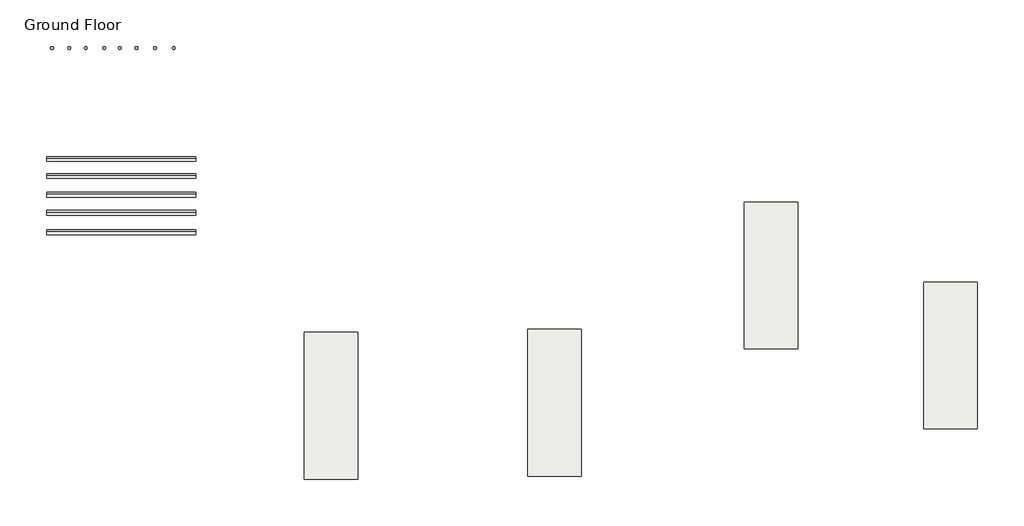
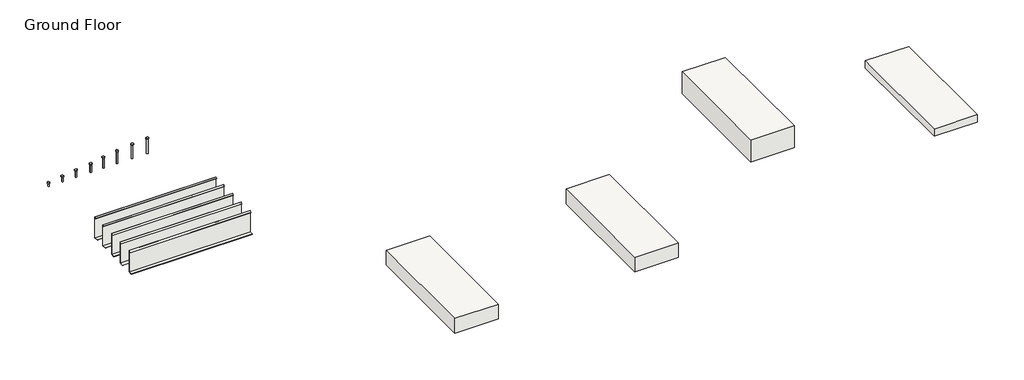
# One storey: 9 slabs, 8 fasteners.
"""IFC4 building model written with IfcOpenShell, lengths in millimetres."""

import ifcopenshell
import ifcopenshell.guid

model = None  # the IFC model being written
_history = None  # IfcOwnerHistory: only IFC2X3 demands one
_inside = {}  # id of a spatial element -> (the spatial element, [elements in it])
_under = {}  # id of a project, library or spatial element -> (it, [spatial elements below it])
_declared = {}  # id of a project -> (the project, [libraries it declares])
_typed = {}  # id of a type object -> (the type object, [elements of that type])
_made_of = {}  # id of a material, layer set ... -> (it, [elements and type objects made of it])


def new_model(schema):
    """Start an empty IFC model of exactly this schema.

    Asked for "IFC4X3", IfcOpenShell would pick the latest addendum, in which some entities
    have other attributes; the version numbers below select the first issue.
    IFC2X3 requires an IfcOwnerHistory on every rooted entity: one is made here for all.
    """
    global model, _history
    if schema == "IFC4X3":
        model = ifcopenshell.file(schema_version=(4, 3, 0, 0))
    else:
        model = ifcopenshell.file(schema=schema)
    _inside.clear()
    _under.clear()
    _declared.clear()
    _typed.clear()
    _made_of.clear()
    _history = None
    if model.schema == "IFC2X3":
        org = make("IfcOrganization", Name="unknown")
        user = make(
            "IfcPersonAndOrganization",
            ThePerson=make("IfcPerson", FamilyName="unknown"),
            TheOrganization=org,
        )
        app = make(
            "IfcApplication",
            ApplicationDeveloper=org,
            Version="unknown",
            ApplicationFullName="unknown",
            ApplicationIdentifier="unknown",
        )
        _history = make(
            "IfcOwnerHistory",
            OwningUser=user,
            OwningApplication=app,
            ChangeAction="ADDED",
            CreationDate=0,
        )
    return model


def make(cls, **values):
    """One entity of the class cls with the attributes given. An attribute that is None is left unset."""
    return model.create_entity(
        cls, **{name: value for name, value in values.items() if value is not None}
    )


def rooted(cls, **values):
    """An entity with a GlobalId (a new one), such as an element, a storey or a relation."""
    return make(cls, GlobalId=ifcopenshell.guid.new(), OwnerHistory=_history, **values)


def si_unit(unit_type, name, prefix=None):
    """IfcSIUnit, for example si_unit("LENGTHUNIT", "METRE", prefix="MILLI")."""
    return make("IfcSIUnit", UnitType=unit_type, Prefix=prefix, Name=name)


def assignment(units):
    """IfcUnitAssignment: the units of a project."""
    return None if units is None else make("IfcUnitAssignment", Units=units)


def point(xyz):
    """IfcCartesianPoint."""
    return None if xyz is None else make("IfcCartesianPoint", Coordinates=xyz)


def direction(xyz):
    """IfcDirection."""
    return None if xyz is None else make("IfcDirection", DirectionRatios=xyz)


def frame(location, z_axis=None, x_axis=None):
    """IfcAxis2Placement3D, a coordinate frame: its origin and axes. An axis left out is left unset."""
    return make(
        "IfcAxis2Placement3D",
        Location=point(location),
        Axis=direction(z_axis),
        RefDirection=direction(x_axis),
    )


def frame_2d(location, x_axis=None):
    """IfcAxis2Placement2D, a coordinate frame in the plane: its origin and x axis."""
    return make(
        "IfcAxis2Placement2D", Location=point(location), RefDirection=direction(x_axis)
    )


def origin():
    """The frame at (0, 0, 0) with its axes left unset."""
    return frame((0.0, 0.0, 0.0))


def origin_with_axes():
    """The frame at (0, 0, 0) with the z axis (0, 0, 1) and the x axis (1, 0, 0) written out."""
    return frame((0.0, 0.0, 0.0), z_axis=(0.0, 0.0, 1.0), x_axis=(1.0, 0.0, 0.0))


def origin_2d():
    """The frame at (0, 0) in the plane with its x axis left unset."""
    return frame_2d((0.0, 0.0))


def place(relative_to, where):
    """IfcLocalPlacement: puts the frame where relative to a parent placement (None: the world)."""
    return make(
        "IfcLocalPlacement", PlacementRelTo=relative_to, RelativePlacement=where
    )


def context(
    kind, dimensions, precision=None, world=None, true_north=None, identifier=None
):
    """IfcGeometricRepresentationContext, for example the 3D "Model" context."""
    return make(
        "IfcGeometricRepresentationContext",
        ContextIdentifier=identifier,
        ContextType=kind,
        CoordinateSpaceDimension=dimensions,
        Precision=precision,
        WorldCoordinateSystem=world,
        TrueNorth=true_north,
    )


def project(units=None, contexts=None):
    """IfcProject with its units and contexts."""
    return rooted(
        "IfcProject",
        Name="project",
        RepresentationContexts=contexts,
        UnitsInContext=assignment(units),
    )


def spatial(cls, under=None, at=None, **own):
    """A site, building, storey or space (cls), placed at a placement, below another one or the project."""
    s = rooted(cls, ObjectPlacement=at, **own)
    if under is not None:
        _under.setdefault(under.id(), (under, []))[1].append(s)
    return s


def polyline(points):
    """IfcPolyline through the points."""
    return make("IfcPolyline", Points=[point(p) for p in points])


def circle_curve(where, radius):
    """IfcCircle in the frame where."""
    return make("IfcCircle", Position=where, Radius=radius)


def trimmed(basis, trim1, trim2, sense, master):
    """IfcTrimmedCurve: the piece of a basis curve between two trims."""
    return make(
        "IfcTrimmedCurve",
        BasisCurve=basis,
        Trim1=trim1,
        Trim2=trim2,
        SenseAgreement=sense,
        MasterRepresentation=master,
    )


def segment(curve, same_sense, transition):
    """IfcCompositeCurveSegment."""
    return make(
        "IfcCompositeCurveSegment",
        Transition=transition,
        SameSense=same_sense,
        ParentCurve=curve,
    )


def composite_curve(segments, self_intersect=None):
    """IfcCompositeCurve: segments joined end to end."""
    return make("IfcCompositeCurve", Segments=segments, SelfIntersect=self_intersect)


def outline(outer, holes=None, kind="AREA"):
    """IfcArbitraryClosedProfileDef: a profile drawn as a closed curve; with holes, ...WithVoids."""
    if holes is None:
        return make("IfcArbitraryClosedProfileDef", ProfileType=kind, OuterCurve=outer)
    return make(
        "IfcArbitraryProfileDefWithVoids",
        ProfileType=kind,
        OuterCurve=outer,
        InnerCurves=holes,
    )


def extrude(swept, where, along, depth):
    """IfcExtrudedAreaSolid: the profile swept, set in the frame where, extruded along a direction by depth."""
    return make(
        "IfcExtrudedAreaSolid",
        SweptArea=swept,
        Position=where,
        ExtrudedDirection=direction(along),
        Depth=depth,
    )


def shape(context_of_items, identifier, shape_type, items):
    """IfcShapeRepresentation: the items that make up one representation, for example the "Body"."""
    return make(
        "IfcShapeRepresentation",
        ContextOfItems=context_of_items,
        RepresentationIdentifier=identifier,
        RepresentationType=shape_type,
        Items=items,
    )


def source(mapping_origin, context_of_items, identifier, shape_type, items):
    """IfcRepresentationMap: a shape defined once, which mapped items show again and again."""
    return make(
        "IfcRepresentationMap",
        MappingOrigin=mapping_origin,
        MappedRepresentation=shape(context_of_items, identifier, shape_type, items),
    )


def transform(
    local_origin,
    x_axis=None,
    y_axis=None,
    z_axis=None,
    scale=None,
    scale2=None,
    scale3=None,
    uniform=True,
):
    """IfcCartesianTransformationOperator3D, or its non-uniform kind. x_axis, y_axis, z_axis: its Axis1, 2, 3."""
    if uniform:
        return make(
            "IfcCartesianTransformationOperator3D",
            Axis1=direction(x_axis),
            Axis2=direction(y_axis),
            LocalOrigin=point(local_origin),
            Scale=scale,
            Axis3=direction(z_axis),
        )
    return make(
        "IfcCartesianTransformationOperator3DnonUniform",
        Axis1=direction(x_axis),
        Axis2=direction(y_axis),
        LocalOrigin=point(local_origin),
        Scale=scale,
        Axis3=direction(z_axis),
        Scale2=scale2,
        Scale3=scale3,
    )


def mapped(mapping_source, mapping_target):
    """IfcMappedItem: shows the shape of a source again, moved by a transform."""
    return make(
        "IfcMappedItem", MappingSource=mapping_source, MappingTarget=mapping_target
    )


def made_of(thing, what):
    """Note that an element or type object is made of a material, layer set ...; save() writes the relation."""
    if what is not None:
        _made_of.setdefault(what.id(), (what, []))[1].append(thing)
    return thing


def element(
    cls,
    number,
    at=None,
    inside=None,
    cuts=None,
    type_object=None,
    material=None,
    context=None,
    identifier="Body",
    shape_type=None,
    held_by="IfcProductDefinitionShape",
    body=None,
    shapes=None,
    **own,
):
    """One element of the class cls, such as IfcWall. Its Tag is "e" and its number.

    at: its placement. inside: the storey or other place that contains it. cuts: it is an
    opening in that element (IfcRelVoidsElement). A single representation is given by context,
    identifier, shape_type and body (its items); several are given by shapes. held_by: the class
    of the entity that holds the representations. save() writes the other relations.
    """
    e = rooted(cls, Tag="e%d" % number, ObjectPlacement=at, **own)
    if body is not None:
        shapes = [shape(context, identifier, shape_type, body)]
    if shapes is not None:
        e.Representation = make(held_by, Representations=shapes)
    if inside is not None:
        _inside.setdefault(inside.id(), (inside, []))[1].append(e)
    if cuts is not None:
        rooted(
            "IfcRelVoidsElement", RelatingBuildingElement=cuts, RelatedOpeningElement=e
        )
    if type_object is not None:
        _typed.setdefault(type_object.id(), (type_object, []))[1].append(e)
    return made_of(e, material)


def aggregate(whole, parts):
    """IfcRelAggregates: a whole, such as a stair, and the parts it consists of."""
    return rooted("IfcRelAggregates", RelatingObject=whole, RelatedObjects=parts)


def save(model, path):
    """Write the relations noted so far, then the file.

    IfcRelAggregates (storeys below a building ...), IfcRelContainedInSpatialStructure (elements
    in a storey), IfcRelDefinesByType, IfcRelAssociatesMaterial and IfcRelDeclares: one each for
    every whole, place, type object, material and project.
    """
    for whole, parts in _under.values():
        aggregate(whole, parts)
    for where, things in _inside.values():
        rooted(
            "IfcRelContainedInSpatialStructure",
            RelatedElements=things,
            RelatingStructure=where,
        )
    for kind, things in _typed.values():
        rooted("IfcRelDefinesByType", RelatedObjects=things, RelatingType=kind)
    for what, things in _made_of.values():
        rooted("IfcRelAssociatesMaterial", RelatedObjects=things, RelatingMaterial=what)
    for by, libraries in _declared.values():
        rooted("IfcRelDeclares", RelatingContext=by, RelatedDefinitions=libraries)
    model.write(path)


def connection_welded_shear_stud_composite_floor_decking_100mm_73b6bc6b(model_context):
    return source(origin(), model_context, "Body", "SweptSolid", [
        extrude(outline(composite_curve([segment(trimmed(circle_curve(origin_2d(), 16.0), [point((16.0, 0.0))], [point((-16.0, 0.0))], False, "CARTESIAN"), True, "CONTINUOUS"), segment(trimmed(circle_curve(origin_2d(), 16.0), [point((-16.0, 0.0))], [point((16.0, 0.0))], False, "CARTESIAN"), True, "CONTINUOUS")], self_intersect=False)), frame((0.0, 0.0, 88.0), z_axis=(0.0, 0.0, 1.0), x_axis=(1.0, 0.0, 0.0)), (0.0, 0.0, 1.0), 12.0),
        extrude(outline(composite_curve([segment(trimmed(circle_curve(origin_2d(), 9.5), [point((-9.5, 0.0))], [point((9.5, 0.0))], False, "CARTESIAN"), True, "CONTINUOUS"), segment(trimmed(circle_curve(origin_2d(), 9.5), [point((9.5, 0.0))], [point((-9.5, 0.0))], False, "CARTESIAN"), True, "CONTINUOUS")], self_intersect=False)), origin_with_axes(), (0.0, 0.0, 1.0), 88.0),
    ])


def connection_welded_shear_stud_composite_floor_decking_120mm_b467cba7(model_context):
    return source(origin(), model_context, "Body", "SweptSolid", [
        extrude(outline(composite_curve([segment(trimmed(circle_curve(origin_2d(), 16.0), [point((16.0, 0.0))], [point((-16.0, 0.0))], False, "CARTESIAN"), True, "CONTINUOUS"), segment(trimmed(circle_curve(origin_2d(), 16.0), [point((-16.0, 0.0))], [point((16.0, 0.0))], False, "CARTESIAN"), True, "CONTINUOUS")], self_intersect=False)), frame((0.0, 0.0, 108.0), z_axis=(0.0, 0.0, 1.0), x_axis=(1.0, 0.0, 0.0)), (0.0, 0.0, 1.0), 12.0),
        extrude(outline(composite_curve([segment(trimmed(circle_curve(origin_2d(), 9.5), [point((-9.5, 0.0))], [point((9.5, 0.0))], False, "CARTESIAN"), True, "CONTINUOUS"), segment(trimmed(circle_curve(origin_2d(), 9.5), [point((9.5, 0.0))], [point((-9.5, 0.0))], False, "CARTESIAN"), True, "CONTINUOUS")], self_intersect=False)), origin_with_axes(), (0.0, 0.0, 1.0), 108.0),
    ])


def connection_welded_shear_stud_composite_floor_decking_150mm_0cb97fad(model_context):
    return source(origin(), model_context, "Body", "SweptSolid", [
        extrude(outline(composite_curve([segment(trimmed(circle_curve(origin_2d(), 16.0), [point((16.0, 0.0))], [point((-16.0, 0.0))], False, "CARTESIAN"), True, "CONTINUOUS"), segment(trimmed(circle_curve(origin_2d(), 16.0), [point((-16.0, 0.0))], [point((16.0, 0.0))], False, "CARTESIAN"), True, "CONTINUOUS")], self_intersect=False)), frame((0.0, 0.0, 138.0), z_axis=(0.0, 0.0, 1.0), x_axis=(1.0, 0.0, 0.0)), (0.0, 0.0, 1.0), 12.0),
        extrude(outline(composite_curve([segment(trimmed(circle_curve(origin_2d(), 9.5), [point((-9.5, 0.0))], [point((9.5, 0.0))], False, "CARTESIAN"), True, "CONTINUOUS"), segment(trimmed(circle_curve(origin_2d(), 9.5), [point((9.5, 0.0))], [point((-9.5, 0.0))], False, "CARTESIAN"), True, "CONTINUOUS")], self_intersect=False)), origin_with_axes(), (0.0, 0.0, 1.0), 138.0),
    ])


def connection_welded_shear_stud_composite_floor_decking_175mm_6acd7c40(model_context):
    return source(origin(), model_context, "Body", "SweptSolid", [
        extrude(outline(composite_curve([segment(trimmed(circle_curve(origin_2d(), 16.0), [point((16.0, 0.0))], [point((-16.0, 0.0))], False, "CARTESIAN"), True, "CONTINUOUS"), segment(trimmed(circle_curve(origin_2d(), 16.0), [point((-16.0, 0.0))], [point((16.0, 0.0))], False, "CARTESIAN"), True, "CONTINUOUS")], self_intersect=False)), frame((0.0, 0.0, 163.0), z_axis=(0.0, 0.0, 1.0), x_axis=(1.0, 0.0, 0.0)), (0.0, 0.0, 1.0), 12.0),
        extrude(outline(composite_curve([segment(trimmed(circle_curve(origin_2d(), 9.5), [point((-9.5, 0.0))], [point((9.5, 0.0))], False, "CARTESIAN"), True, "CONTINUOUS"), segment(trimmed(circle_curve(origin_2d(), 9.5), [point((9.5, 0.0))], [point((-9.5, 0.0))], False, "CARTESIAN"), True, "CONTINUOUS")], self_intersect=False)), origin_with_axes(), (0.0, 0.0, 1.0), 163.0),
    ])


def connection_welded_shear_stud_composite_floor_decking_200mm_671c3698(model_context):
    return source(origin(), model_context, "Body", "SweptSolid", [
        extrude(outline(composite_curve([segment(trimmed(circle_curve(origin_2d(), 16.0), [point((16.0, 0.0))], [point((-16.0, 0.0))], False, "CARTESIAN"), True, "CONTINUOUS"), segment(trimmed(circle_curve(origin_2d(), 16.0), [point((-16.0, 0.0))], [point((16.0, 0.0))], False, "CARTESIAN"), True, "CONTINUOUS")], self_intersect=False)), frame((0.0, 0.0, 188.0), z_axis=(0.0, 0.0, 1.0), x_axis=(1.0, 0.0, 0.0)), (0.0, 0.0, 1.0), 12.0),
        extrude(outline(composite_curve([segment(trimmed(circle_curve(origin_2d(), 9.5), [point((-9.5, 0.0))], [point((9.5, 0.0))], False, "CARTESIAN"), True, "CONTINUOUS"), segment(trimmed(circle_curve(origin_2d(), 9.5), [point((9.5, 0.0))], [point((-9.5, 0.0))], False, "CARTESIAN"), True, "CONTINUOUS")], self_intersect=False)), origin_with_axes(), (0.0, 0.0, 1.0), 188.0),
    ])


def connection_welded_shear_stud_composite_floor_decking_215mm_3df27a10(model_context):
    return source(origin(), model_context, "Body", "SweptSolid", [
        extrude(outline(composite_curve([segment(trimmed(circle_curve(origin_2d(), 16.0), [point((16.0, 0.0))], [point((-16.0, 0.0))], False, "CARTESIAN"), True, "CONTINUOUS"), segment(trimmed(circle_curve(origin_2d(), 16.0), [point((-16.0, 0.0))], [point((16.0, 0.0))], False, "CARTESIAN"), True, "CONTINUOUS")], self_intersect=False)), frame((0.0, 0.0, 203.0), z_axis=(0.0, 0.0, 1.0), x_axis=(1.0, 0.0, 0.0)), (0.0, 0.0, 1.0), 12.0),
        extrude(outline(composite_curve([segment(trimmed(circle_curve(origin_2d(), 9.5), [point((-9.5, 0.0))], [point((9.5, 0.0))], False, "CARTESIAN"), True, "CONTINUOUS"), segment(trimmed(circle_curve(origin_2d(), 9.5), [point((9.5, 0.0))], [point((-9.5, 0.0))], False, "CARTESIAN"), True, "CONTINUOUS")], self_intersect=False)), origin_with_axes(), (0.0, 0.0, 1.0), 203.0),
    ])


def connection_welded_shear_stud_composite_floor_decking_50mm_dd0ce717(model_context):
    return source(origin(), model_context, "Body", "SweptSolid", [
        extrude(outline(composite_curve([segment(trimmed(circle_curve(origin_2d(), 16.0), [point((16.0, 0.0))], [point((-16.0, 0.0))], False, "CARTESIAN"), True, "CONTINUOUS"), segment(trimmed(circle_curve(origin_2d(), 16.0), [point((-16.0, 0.0))], [point((16.0, 0.0))], False, "CARTESIAN"), True, "CONTINUOUS")], self_intersect=False)), frame((0.0, 0.0, 38.0), z_axis=(0.0, 0.0, 1.0), x_axis=(1.0, 0.0, 0.0)), (0.0, 0.0, 1.0), 12.0),
        extrude(outline(composite_curve([segment(trimmed(circle_curve(origin_2d(), 9.5), [point((-9.5, 0.0))], [point((9.5, 0.0))], False, "CARTESIAN"), True, "CONTINUOUS"), segment(trimmed(circle_curve(origin_2d(), 9.5), [point((9.5, 0.0))], [point((-9.5, 0.0))], False, "CARTESIAN"), True, "CONTINUOUS")], self_intersect=False)), origin_with_axes(), (0.0, 0.0, 1.0), 38.0),
    ])


def connection_welded_shear_stud_composite_floor_decking_75mm_8892bce3(model_context):
    return source(origin(), model_context, "Body", "SweptSolid", [
        extrude(outline(composite_curve([segment(trimmed(circle_curve(origin_2d(), 16.0), [point((16.0, 0.0))], [point((-16.0, 0.0))], False, "CARTESIAN"), True, "CONTINUOUS"), segment(trimmed(circle_curve(origin_2d(), 16.0), [point((-16.0, 0.0))], [point((16.0, 0.0))], False, "CARTESIAN"), True, "CONTINUOUS")], self_intersect=False)), frame((0.0, 0.0, 63.0), z_axis=(0.0, 0.0, 1.0), x_axis=(1.0, 0.0, 0.0)), (0.0, 0.0, 1.0), 12.0),
        extrude(outline(composite_curve([segment(trimmed(circle_curve(origin_2d(), 9.5), [point((-9.5, 0.0))], [point((9.5, 0.0))], False, "CARTESIAN"), True, "CONTINUOUS"), segment(trimmed(circle_curve(origin_2d(), 9.5), [point((9.5, 0.0))], [point((-9.5, 0.0))], False, "CARTESIAN"), True, "CONTINUOUS")], self_intersect=False)), origin_with_axes(), (0.0, 0.0, 1.0), 63.0),
    ])


def comflor_edge_trim_0_9mm_comflor_edge_trim_0_9mm_66992328(model_context):
    return source(origin(), model_context, "Body", "SweptSolid", [
        extrude(outline(polyline([(10790.7815235, 0.0), (10790.7815235, 284.1421356), (10776.6393879, 270.0), (10776.0029918, 270.6363961), (10791.6815235, 286.3149278), (10791.6815235, -0.9), (10740.7815235, -0.9), (10740.7815235, 0.0), (10790.7815235, 0.0)])), frame((-13438.0584914, 0.0, 0.0), z_axis=(1.0, 0.0, 0.0), x_axis=(0.0, 1.0, 0.0)), (0.0, 0.0, 1.0), 1560.0),
    ])


def comflor_edge_trim_1_0mm_comflor_edge_trim_1_0mm_d2852e50(model_context):
    return source(origin(), model_context, "Body", "SweptSolid", [
        extrude(outline(polyline([(10553.0822033, 0.0), (10553.0822033, 284.1421356), (10538.9400677, 270.0), (10538.2329609, 270.7071068), (10554.0822033, 286.5563492), (10554.0822033, -1.0), (10503.0822033, -1.0), (10503.0822033, 0.0), (10553.0822033, 0.0)])), frame((-13434.6135737, 0.0, 0.0), z_axis=(1.0, 0.0, 0.0), x_axis=(0.0, 1.0, 0.0)), (0.0, 0.0, 1.0), 1560.0),
    ])


def comflor_edge_trim_1_2mm_comflor_edge_trim_1_2mm_3975a4b2(model_context):
    return source(origin(), model_context, "Body", "SweptSolid", [
        extrude(outline(polyline([(10408.3956605, 0.0), (10408.3956605, 284.1421356), (10394.2535249, 270.0), (10393.4049968, 270.8485281), (10409.5956605, 287.0391919), (10409.5956605, -1.2), (10358.3956605, -1.2), (10358.3956605, 0.0), (10408.3956605, 0.0)])), frame((-13424.2788207, 0.0, 0.0), z_axis=(1.0, 0.0, 0.0), x_axis=(0.0, 1.0, 0.0)), (0.0, 0.0, 1.0), 1560.0),
    ])


def comflor_edge_trim_1_6mm_comflor_edge_trim_1_6mm_44f70b30(model_context):
    return source(origin(), model_context, "Body", "SweptSolid", [
        extrude(outline(polyline([(10225.8150233, 0.0), (10225.8150233, 284.1421356), (10211.6728877, 270.0), (10210.5415168, 271.1313708), (10227.4150233, 288.0048773), (10227.4150233, -1.6), (10175.8150233, -1.6), (10175.8150233, 0.0), (10225.8150233, 0.0)])), frame((-13438.0584914, 0.0, 0.0), z_axis=(1.0, 0.0, 0.0), x_axis=(0.0, 1.0, 0.0)), (0.0, 0.0, 1.0), 1560.0),
    ])


def comflor_edge_trim_2_0mm_comflor_edge_trim_2_0mm_ecb2a93d(model_context):
    return source(origin(), model_context, "Body", "SweptSolid", [
        extrude(outline(polyline([(9984.6707854, 0.0), (9984.6707854, 284.1421356), (9970.5286498, 270.0), (9969.1144362, 271.4142136), (9986.6707854, 288.9705627), (9986.6707854, -2.0), (9934.6707854, -2.0), (9934.6707854, 0.0), (9984.6707854, 0.0)])), frame((-13434.6135737, 0.0, 0.0), z_axis=(1.0, 0.0, 0.0), x_axis=(0.0, 1.0, 0.0)), (0.0, 0.0, 1.0), 1560.0),
    ])


model = new_model("IFC4")

# Units and contexts
model_context = context("Model", 3, world=origin())
ifc_project = project(units=[si_unit("LENGTHUNIT", "METRE", prefix="MILLI")], contexts=[model_context])

# Site, building, storey
site = spatial("IfcSite", under=ifc_project)
building = spatial("IfcBuilding", under=site)
storey = spatial("IfcBuildingStorey", under=building, Name="Ground Floor", Elevation=0.0)

# Fasteners
placement = place(None, origin())
connection_welded_shear_stud_composite_floor_decking_100mm_shape = connection_welded_shear_stud_composite_floor_decking_100mm_73b6bc6b(model_context)
element("IfcFastener", 1, ObjectType="Connection-Welded Shear Stud-Composite Floor Decking : 100mm", at=placement, inside=storey, context=model_context, shape_type="MappedRepresentation", body=[
    mapped(connection_welded_shear_stud_composite_floor_decking_100mm_shape, transform((-13027.9277231, 11926.8599007, 0.0), x_axis=(1.0, 0.0, 0.0), y_axis=(0.0, 1.0, 0.0), z_axis=(0.0, 0.0, 1.0))),
])
connection_welded_shear_stud_composite_floor_decking_120mm_shape = connection_welded_shear_stud_composite_floor_decking_120mm_b467cba7(model_context)
element("IfcFastener", 2, ObjectType="Connection-Welded Shear Stud-Composite Floor Decking : 120mm", at=placement, inside=storey, context=model_context, shape_type="MappedRepresentation", body=[
    mapped(connection_welded_shear_stud_composite_floor_decking_120mm_shape, transform((-12835.9040562, 11926.8599007, 0.0), x_axis=(1.0, 0.0, 0.0), y_axis=(0.0, 1.0, 0.0), z_axis=(0.0, 0.0, 1.0))),
])
connection_welded_shear_stud_composite_floor_decking_150mm_shape = connection_welded_shear_stud_composite_floor_decking_150mm_0cb97fad(model_context)
element("IfcFastener", 3, ObjectType="Connection-Welded Shear Stud-Composite Floor Decking : 150mm", at=placement, inside=storey, context=model_context, shape_type="MappedRepresentation", body=[
    mapped(connection_welded_shear_stud_composite_floor_decking_150mm_shape, transform((-12672.8814986, 11926.8599007, 0.0), x_axis=(1.0, 0.0, 0.0), y_axis=(0.0, 1.0, 0.0), z_axis=(0.0, 0.0, 1.0))),
])
connection_welded_shear_stud_composite_floor_decking_175mm_shape = connection_welded_shear_stud_composite_floor_decking_175mm_6acd7c40(model_context)
element("IfcFastener", 4, ObjectType="Connection-Welded Shear Stud-Composite Floor Decking : 175mm", at=placement, inside=storey, context=model_context, shape_type="MappedRepresentation", body=[
    mapped(connection_welded_shear_stud_composite_floor_decking_175mm_shape, transform((-12497.6814986, 11926.8599007, 0.0), x_axis=(1.0, 0.0, 0.0), y_axis=(0.0, 1.0, 0.0), z_axis=(0.0, 0.0, 1.0))),
])
connection_welded_shear_stud_composite_floor_decking_200mm_shape = connection_welded_shear_stud_composite_floor_decking_200mm_671c3698(model_context)
element("IfcFastener", 5, ObjectType="Connection-Welded Shear Stud-Composite Floor Decking : 200mm", at=placement, inside=storey, context=model_context, shape_type="MappedRepresentation", body=[
    mapped(connection_welded_shear_stud_composite_floor_decking_200mm_shape, transform((-12302.4814986, 11926.8599007, 0.0), x_axis=(1.0, 0.0, 0.0), y_axis=(0.0, 1.0, 0.0), z_axis=(0.0, 0.0, 1.0))),
])
connection_welded_shear_stud_composite_floor_decking_215mm_shape = connection_welded_shear_stud_composite_floor_decking_215mm_3df27a10(model_context)
element("IfcFastener", 6, ObjectType="Connection-Welded Shear Stud-Composite Floor Decking : 215mm", at=placement, inside=storey, context=model_context, shape_type="MappedRepresentation", body=[
    mapped(connection_welded_shear_stud_composite_floor_decking_215mm_shape, transform((-12107.2814986, 11926.8599007, 0.0), x_axis=(1.0, 0.0, 0.0), y_axis=(0.0, 1.0, 0.0), z_axis=(0.0, 0.0, 1.0))),
])
connection_welded_shear_stud_composite_floor_decking_50mm_shape = connection_welded_shear_stud_composite_floor_decking_50mm_dd0ce717(model_context)
element("IfcFastener", 7, ObjectType="Connection-Welded Shear Stud-Composite Floor Decking : 50mm", at=placement, inside=storey, context=model_context, shape_type="MappedRepresentation", body=[
    mapped(connection_welded_shear_stud_composite_floor_decking_50mm_shape, transform((-13380.7437301, 11926.8599007, 0.0), x_axis=(1.0, 0.0, 0.0), y_axis=(0.0, 1.0, 0.0), z_axis=(0.0, 0.0, 1.0))),
])
connection_welded_shear_stud_composite_floor_decking_75mm_shape = connection_welded_shear_stud_composite_floor_decking_75mm_8892bce3(model_context)
element("IfcFastener", 8, ObjectType="Connection-Welded Shear Stud-Composite Floor Decking : 75mm", at=placement, inside=storey, context=model_context, shape_type="MappedRepresentation", body=[
    mapped(connection_welded_shear_stud_composite_floor_decking_75mm_shape, transform((-13201.9491713, 11926.8599007, 0.0), x_axis=(1.0, 0.0, 0.0), y_axis=(0.0, 1.0, 0.0), z_axis=(0.0, 0.0, 1.0))),
])

# Slabs
element("IfcSlab", 9, at=placement, inside=storey, context=model_context, shape_type="SweptSolid", body=[
    extrude(outline(polyline([(-10182.7955685, 8952.1763355), (-10182.7955685, 7418.117012), (-10742.7955685, 7418.117012), (-10742.7955685, 8952.1763355), (-10182.7955685, 8952.1763355)])), frame((0.0, 0.0, -200.0), z_axis=(0.0, 0.0, 1.0), x_axis=(1.0, 0.0, 0.0)), (0.0, 0.0, 1.0), 200.0),
])
element("IfcSlab", 10, at=placement, inside=storey, context=model_context, shape_type="SweptSolid", body=[
    extrude(outline(polyline([(-7844.8830947, 8982.9383418), (-7844.8830947, 7448.8790182), (-8404.8830947, 7448.8790182), (-8404.8830947, 8982.9383418), (-7844.8830947, 8982.9383418)])), frame((0.0, 0.0, -200.0), z_axis=(0.0, 0.0, 1.0), x_axis=(1.0, 0.0, 0.0)), (0.0, 0.0, 1.0), 200.0),
])
element("IfcSlab", 11, at=placement, inside=storey, context=model_context, shape_type="SweptSolid", body=[
    extrude(outline(polyline([(-5578.7486354, 10315.9586119), (-5578.7486354, 8781.8992884), (-6138.7486354, 8781.8992884), (-6138.7486354, 10315.9586119), (-5578.7486354, 10315.9586119)])), frame((0.0, 0.0, -300.0), z_axis=(0.0, 0.0, 1.0), x_axis=(1.0, 0.0, 0.0)), (0.0, 0.0, 1.0), 300.0),
])
element("IfcSlab", 12, at=placement, inside=storey, context=model_context, shape_type="SweptSolid", body=[
    extrude(outline(polyline([(-3698.0213746, 9477.0151198), (-3698.0213746, 7942.9557963), (-4258.0213746, 7942.9557963), (-4258.0213746, 9477.0151198), (-3698.0213746, 9477.0151198)])), frame((0.0, 0.0, -100.0), z_axis=(0.0, 0.0, 1.0), x_axis=(1.0, 0.0, 0.0)), (0.0, 0.0, 1.0), 100.0),
])
comflor_edge_trim_0_9mm_comflor_edge_trim_0_9mm_shape = comflor_edge_trim_0_9mm_comflor_edge_trim_0_9mm_66992328(model_context)
element("IfcSlab", 13, ObjectType="ComFlor-Edge Trim-0.9mm : ComFlor-Edge Trim-0.9mm", at=placement, inside=storey, context=model_context, shape_type="MappedRepresentation", body=[
    mapped(comflor_edge_trim_0_9mm_comflor_edge_trim_0_9mm_shape, transform((0.0, 0.0, 0.0), x_axis=(1.0, 0.0, 0.0), y_axis=(0.0, 1.0, 0.0), z_axis=(0.0, 0.0, 1.0))),
])
comflor_edge_trim_1_0mm_comflor_edge_trim_1_0mm_shape = comflor_edge_trim_1_0mm_comflor_edge_trim_1_0mm_d2852e50(model_context)
element("IfcSlab", 14, ObjectType="ComFlor-Edge Trim-1.0mm : ComFlor-Edge Trim-1.0mm", at=placement, inside=storey, context=model_context, shape_type="MappedRepresentation", body=[
    mapped(comflor_edge_trim_1_0mm_comflor_edge_trim_1_0mm_shape, transform((-3.4449177, 60.0, 0.0), x_axis=(1.0, 0.0, 0.0), y_axis=(0.0, 1.0, 0.0), z_axis=(0.0, 0.0, 1.0))),
])
comflor_edge_trim_1_2mm_comflor_edge_trim_1_2mm_shape = comflor_edge_trim_1_2mm_comflor_edge_trim_1_2mm_3975a4b2(model_context)
element("IfcSlab", 15, ObjectType="ComFlor-Edge Trim-1.2mm : ComFlor-Edge Trim-1.2mm", at=placement, inside=storey, context=model_context, shape_type="MappedRepresentation", body=[
    mapped(comflor_edge_trim_1_2mm_comflor_edge_trim_1_2mm_shape, transform((-13.7796707, 10.0, 0.0), x_axis=(1.0, 0.0, 0.0), y_axis=(0.0, 1.0, 0.0), z_axis=(0.0, 0.0, 1.0))),
])
comflor_edge_trim_1_6mm_comflor_edge_trim_1_6mm_shape = comflor_edge_trim_1_6mm_comflor_edge_trim_1_6mm_44f70b30(model_context)
element("IfcSlab", 16, ObjectType="ComFlor-Edge Trim-1.6mm : ComFlor-Edge Trim-1.6mm", at=placement, inside=storey, context=model_context, shape_type="MappedRepresentation", body=[
    mapped(comflor_edge_trim_1_6mm_comflor_edge_trim_1_6mm_shape, transform((0.0, 0.0, 0.0), x_axis=(1.0, 0.0, 0.0), y_axis=(0.0, 1.0, 0.0), z_axis=(0.0, 0.0, 1.0))),
])
comflor_edge_trim_2_0mm_comflor_edge_trim_2_0mm_shape = comflor_edge_trim_2_0mm_comflor_edge_trim_2_0mm_ecb2a93d(model_context)
element("IfcSlab", 17, ObjectType="ComFlor-Edge Trim-2.0mm : ComFlor-Edge Trim-2.0mm", at=placement, inside=storey, context=model_context, shape_type="MappedRepresentation", body=[
    mapped(comflor_edge_trim_2_0mm_comflor_edge_trim_2_0mm_shape, transform((-3.4449177, 40.0, 0.0), x_axis=(1.0, 0.0, 0.0), y_axis=(0.0, 1.0, 0.0), z_axis=(0.0, 0.0, 1.0))),
])

save(model, "model.ifc")
